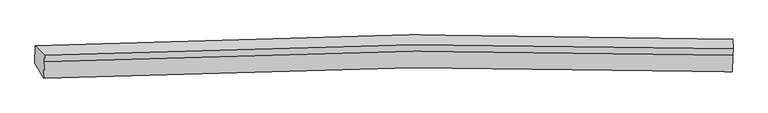
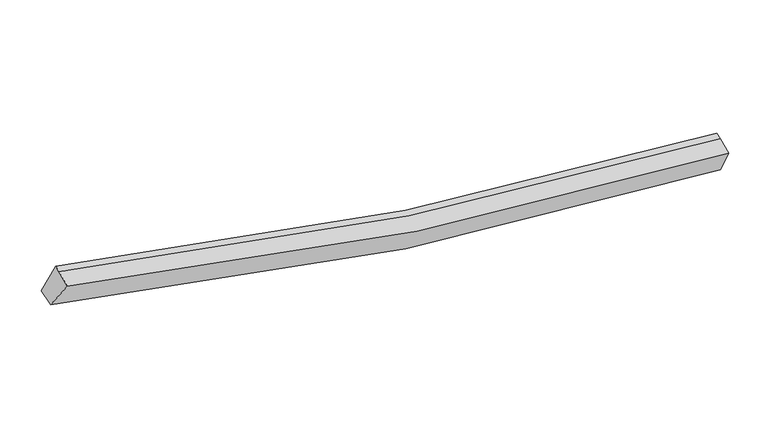
"""IFC4 building model written with IfcOpenShell, lengths in millimetres: proxy geometry."""

from ifc_helpers import new_model, si_unit, frame, origin, place, context, project, spatial, source, transform, mapped, element, save
from ifc_brep_helpers import plane_surface, spline_curve, spline_surface, advanced_brep


def generic_models_fa6ed255(model_context):
    return source(origin(), model_context, "Body", "AdvancedBrep", [
        advanced_brep(
        [(-7291.6775694, -2554.0541056, 4539.5094364), (-7482.5632329, -2231.3186033, 3972.231322), (7847.6317571, -2086.4393077, 1756.6179138), (7849.4345201, -2411.516387, 2353.879701), (-7274.1108999, -2191.3156414, 4666.9608305), (7863.395864, -2048.8225707, 2481.9028069), (-7269.0745705, -2057.9152936, 4709.1388174), (7868.4321934, -1915.4222228, 2524.0807938), (-7474.1471641, -1849.1213699, 4073.2533491), (7861.6468575, -1704.1727366, 1856.7520788)],
        [
            (0, 1),
            (1, 2, spline_curve(3, [(-7482.5632329, -2231.3186033, 3972.231322), (-4766.968392703, -2092.156081435, 3221.314367033), (-2027.183229086, -2014.075081115, 2660.526315471), (3089.544361504, -1982.605296381, 1974.354568428), (5459.824195272, -2012.393199457, 1796.604816983), (7847.6317571, -2086.4393077, 1756.6179138)], [4, 2, 4], [0.0, 27.359527095469993, 50.648512584520795])),
            (2, 3),
            (3, 0, spline_curve(3, [(7849.4345201, -2411.516387, 2353.879701), (5484.156476747, -2338.43762636, 2394.235954296), (3139.372700275, -2309.007242345, 2570.07206773), (-1915.45489001, -2339.928307846, 3247.117060855), (-4617.708477693, -2416.871264397, 3799.824192015), (-7291.6775694, -2554.0541056, 4539.5094364)], [4, 2, 4], [0.0, 23.288985489050802, 50.648512584520795])),
            (4, 0),
            (3, 5),
            (5, 4, spline_curve(3, [(7863.395864, -2048.8225707, 2481.9028069), (5500.464666911, -1980.442629925, 2536.840239008), (3157.202712674, -1953.54732869, 2720.512582981), (-1896.109497265, -1985.275985119, 3399.93087665), (-4598.683130605, -2059.6689774, 3944.611207655), (-7274.1108999, -2191.3156414, 4666.9608305)], [4, 2, 4], [0.0, 23.13820864452216, 50.32060551827466])),
            (6, 4),
            (5, 7),
            (7, 6, spline_curve(3, [(7868.4321934, -1915.4222228, 2524.0807938), (5505.833973351, -1838.222516244, 2581.806824398), (3162.751887937, -1806.562916783, 2766.985524047), (-1890.502122962, -1836.750020228, 3446.891221242), (-4593.25562463, -1915.907310237, 3990.065195463), (-7269.0745705, -2057.9152936, 4709.1388174)], [4, 2, 4], [0.0, 23.132391360811138, 50.30795418284471])),
            (8, 6),
            (7, 9),
            (9, 8, spline_curve(3, [(7861.6468575, -1704.1727366, 1856.7520788), (5475.038952982, -1625.022518594, 1911.175952333), (3105.012553025, -1592.482342809, 2096.786900575), (-2013.221706858, -1623.081265466, 2785.754167257), (-4755.126646904, -1703.937651604, 3338.976975314), (-7474.1471641, -1849.1213699, 4073.2533491)], [4, 2, 4], [0.0, 23.284956752075132, 50.639750951880856])),
            (1, 8),
            (9, 2),
        ],
        [
            spline_surface(3, 3, [[(-7291.6775694, -2554.0541056, 4539.5094364), (-4617.708477575, -2416.871264023, 3799.82419215), (-1915.454890363, -2339.928307592, 3247.117060536), (3139.372700576, -2309.007242561, 2570.072068001), (5484.156476533, -2338.437626108, 2394.235954421), (7849.4345201, -2411.516387, 2353.879701)], [(-7355.306123915, -2446.475604834, 4350.41673162), (-4667.461782549, -2308.632869972, 3606.987583687), (-1952.697670042, -2231.310565324, 3051.586812135), (3122.763254311, -2200.206593895, 2371.499568189), (5476.045716147, -2229.756150426, 2195.025575337), (7848.833599105, -2303.157360536, 2154.792438586)], [(-7418.934678385, -2338.897104066, 4161.32402678), (-4717.215087478, -2200.394475919, 3414.150975164), (-1989.940449727, -2122.692823109, 2856.056563722), (3106.153808041, -2091.405945281, 2172.927068367), (5467.934955746, -2121.074674836, 1995.815196294), (7848.232678095, -2194.798334164, 1955.705176214)], [(-7482.5632329, -2231.3186033, 3972.231322), (-4766.968392451, -2092.156081868, 3221.314366701), (-2027.183229406, -2014.075080841, 2660.526315321), (3089.544361776, -1982.605296614, 1974.354568556), (5459.82419536, -2012.393199154, 1796.60481721), (7847.6317571, -2086.4393077, 1756.6179138)]], [4, 4], [4, 2, 4], [0.0, 2.230540078476294], [0.0, 27.359527095469993, 50.648512584520795]),
            spline_surface(3, 3, [[(-7274.1108999, -2191.3156414, 4666.9608305), (-4598.683130388, -2059.668977304, 3944.611207869), (-1896.109496949, -1985.275985435, 3399.930876993), (3157.202712405, -1953.547328421, 2720.512582689), (5500.464666934, -1980.442630063, 2536.84023905), (7863.395864, -2048.8225707, 2481.9028069)], [(-7279.966456408, -2312.228462797, 4624.47703244), (-4605.024912792, -2178.736406207, 3896.348869269), (-1902.557961431, -2103.493426165, 3348.992938149), (3151.259375118, -2072.033966479, 2670.365744435), (5495.028603459, -2099.77429542, 2489.305477519), (7858.742082692, -2169.720509475, 2439.228438279)], [(-7285.822012892, -2433.141284203, 4581.99323446), (-4611.366695172, -2297.803835119, 3848.086530749), (-1909.006425881, -2221.710866861, 3298.05499938), (3145.316037863, -2190.520604504, 2620.218906255), (5489.592540008, -2219.105960751, 2441.770715952), (7854.088301408, -2290.618448225, 2396.554069621)], [(-7291.6775694, -2554.0541056, 4539.5094364), (-4617.708477575, -2416.871264023, 3799.82419215), (-1915.454890363, -2339.928307592, 3247.117060536), (3139.372700576, -2309.007242561, 2570.072068001), (5484.156476533, -2338.437626108, 2394.235954421), (7849.4345201, -2411.516387, 2353.879701)]], [4, 4], [4, 2, 4], [0.0, 1.2681414949934344], [0.0, 27.182396873752502, 50.32060551827466]),
            spline_surface(3, 3, [[(-7269.0745705, -2057.9152936, 4709.1388174), (-4593.255624974, -1915.907310231, 3990.065195132), (-1890.502122646, -1836.750020137, 3446.89122091), (3162.751887667, -1806.56291686, 2766.98552433), (5505.833973308, -1838.222516625, 2581.806824037), (7868.4321934, -1915.4222228, 2524.0807938)], [(-7270.753346951, -2102.382076224, 4695.07948845), (-4595.06479343, -1963.827865945, 3974.913866061), (-1892.371247403, -1886.258675232, 3431.237772948), (3160.90216259, -1855.557720708, 2751.494543794), (5504.044204532, -1885.629221095, 2566.817962391), (7866.753416949, -1959.889005424, 2510.02146485)], [(-7272.432123449, -2146.848858776, 4681.02015945), (-4596.873961933, -2011.748421589, 3959.762536939), (-1894.240372192, -1935.76733034, 3415.584324955), (3159.052437482, -1904.552524572, 2736.003563226), (5502.25443571, -1933.035925594, 2551.829100695), (7865.074640451, -2004.355788076, 2495.96213585)], [(-7274.1108999, -2191.3156414, 4666.9608305), (-4598.683130388, -2059.668977304, 3944.611207869), (-1896.109496949, -1985.275985435, 3399.930876993), (3157.202712405, -1953.547328421, 2720.512582689), (5500.464666934, -1980.442630063, 2536.84023905), (7863.395864, -2048.8225707, 2481.9028069)]], [4, 4], [4, 2, 4], [0.0, 0.5088501185733838], [0.0, 27.175562822033573, 50.30795418284471]),
            spline_surface(3, 3, [[(-7474.1471641, -1849.1213699, 4073.2533491), (-4755.12664696, -1703.937651924, 3338.976975532), (-2013.221706439, -1623.081265446, 2785.754167169), (3105.012552668, -1592.482342827, 2096.78690065), (5475.038952648, -1625.022518219, 1911.175952221), (7861.6468575, -1704.1727366, 1856.7520788)], [(-7405.78963289, -1918.719344436, 4285.21517187), (-4701.169639621, -1774.594204663, 3556.006382068), (-1972.315178501, -1694.30418367, 3006.133185098), (3124.258997674, -1663.842534164, 2320.186441893), (5485.303959527, -1696.089184361, 2134.719576141), (7863.908636126, -1774.589232007, 2079.194983781)], [(-7337.43210171, -1988.317319064, 4497.17699463), (-4647.212632313, -1845.250757492, 3773.035788596), (-1931.408650583, -1765.527101913, 3226.51220298), (3143.505442661, -1735.202725522, 2543.585983087), (5495.568966428, -1767.155850483, 2358.263200117), (7866.170414774, -1845.005727393, 2301.637888819)], [(-7269.0745705, -2057.9152936, 4709.1388174), (-4593.255624974, -1915.907310231, 3990.065195132), (-1890.502122646, -1836.750020137, 3446.89122091), (3162.751887667, -1806.56291686, 2766.98552433), (5505.833973308, -1838.222516625, 2581.806824037), (7868.4321934, -1915.4222228, 2524.0807938)]], [4, 4], [4, 2, 4], [0.0, 2.312637207941213], [0.0, 27.354794199805724, 50.639750951880856]),
            spline_surface(3, 3, [[(-7482.5632329, -2231.3186033, 3972.231322), (-4766.968392451, -2092.156081868, 3221.314366701), (-2027.183229406, -2014.075080841, 2660.526315321), (3089.544361776, -1982.605296614, 1974.354568556), (5459.82419536, -2012.393199154, 1796.60481721), (7847.6317571, -2086.4393077, 1756.6179138)], [(-7479.757876637, -2103.919525509, 4005.905331021), (-4763.021143957, -1962.749938563, 3260.535236299), (-2022.529388425, -1883.743809061, 2702.268932598), (3094.700425399, -1852.564312036, 2015.165345915), (5464.895781117, -1883.269638868, 1834.795195551), (7852.303457228, -1959.017117359, 1789.995968804)], [(-7476.952520363, -1976.520447691, 4039.579340079), (-4759.073895454, -1833.34379523, 3299.756105934), (-2017.87554742, -1753.412537226, 2744.011549891), (3099.856489045, -1722.523327404, 2055.976123291), (5469.967366891, -1754.146078505, 1872.98557388), (7856.975157372, -1831.594926941, 1823.374023796)], [(-7474.1471641, -1849.1213699, 4073.2533491), (-4755.12664696, -1703.937651924, 3338.976975532), (-2013.221706439, -1623.081265446, 2785.754167169), (3105.012552668, -1592.482342827, 2096.78690065), (5475.038952648, -1625.022518219, 1911.175952221), (7861.6468575, -1704.1727366, 1856.7520788)]], [4, 4], [4, 2, 4], [0.0, 1.3451963805115086], [0.0, 27.53180201570472, 50.96743141798815]),
            plane_surface(frame((7858.1082384, -2033.274645, 2194.6466589), z_axis=(0.9993057221353054, -0.03137444273065031, -0.020092736274015567), x_axis=(-0.03597378109166959, -0.9528596276472354, -0.30127133463696926))),
            plane_surface(frame((-7358.3146874, -2176.7450028, 4392.2187511), z_axis=(-0.9554474494121852, -0.0555818419198392, 0.2898807172968703), x_axis=(0.2807142110942634, -0.4746110327904256, 0.8342325210894928))),
        ],
        [
            (0, [[1, 2, 3, 4]]),
            (1, [[5, -4, 6, 7]]),
            (2, [[8, -7, 9, 10]]),
            (3, [[11, -10, 12, 13]]),
            (4, [[14, -13, 15, -2]]),
            (5, [[-9, -6, -3, -15, -12]]),
            (6, [[-1, -5, -8, -11, -14]]),
        ],
    ),
    ])


if __name__ == "__main__":
    model = new_model("IFC4")
    model_context = context("Model", 3, world=origin())
    ifc_project = project(units=[si_unit("LENGTHUNIT", "METRE", prefix="MILLI")], contexts=[model_context])
    site = spatial("IfcSite", under=ifc_project)
    building = spatial("IfcBuilding", under=site)
    placement = place(None, origin())
    generic_models_shape = generic_models_fa6ed255(model_context)
    element("IfcBuildingElementProxy", 1, Name="Generic Models", at=placement, inside=building, context=model_context, shape_type="MappedRepresentation", body=[
        mapped(generic_models_shape, transform((0.0, 0.0, 0.0), x_axis=(1.0, 0.0, 0.0), y_axis=(0.0, 1.0, 0.0), z_axis=(0.0, 0.0, 1.0))),
    ])
    save(model, "model.ifc")
